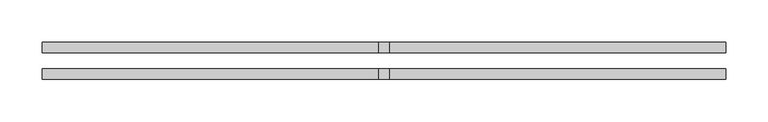
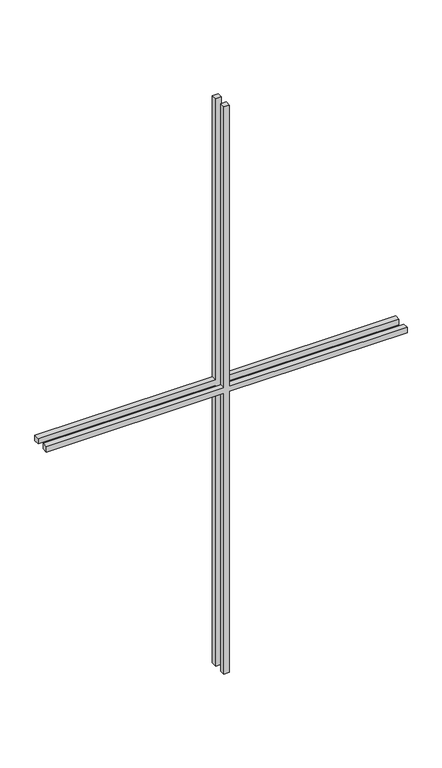
"""IFC4 building model written with IfcOpenShell, lengths in millimetres: proxy geometry."""

from ifc_helpers import new_model, si_unit, frame, origin, place, context, project, spatial, polyline, outline, extrude, source, transform, mapped, element, save


def generic_models_3ff90e20(model_context):
    return source(origin(), model_context, "Body", "SweptSolid", [
        extrude(outline(polyline([(683.325, -6.35), (683.325, -407.1375), (670.625, -407.1375), (670.625, -6.35), (0.0, -6.35), (0.0, 6.35), (670.625, 6.35), (670.625, 407.1375), (683.325, 407.1375), (683.325, 6.35), (1353.95, 6.35), (1353.95, -6.35), (683.325, -6.35)])), frame((0.0, 9.525, 0.0), z_axis=(0.0, 1.0, 0.0), x_axis=(0.0, 0.0, 1.0)), (0.0, 0.0, 1.0), 12.7),
        extrude(outline(polyline([(683.325, -6.35), (683.325, -407.1375), (670.625, -407.1375), (670.625, -6.35), (0.0, -6.35), (0.0, 6.35), (670.625, 6.35), (670.625, 407.1375), (683.325, 407.1375), (683.325, 6.35), (1353.95, 6.35), (1353.95, -6.35), (683.325, -6.35)])), frame((0.0, -22.225, 0.0), z_axis=(0.0, 1.0, 0.0), x_axis=(0.0, 0.0, 1.0)), (0.0, 0.0, 1.0), 12.7),
    ])


if __name__ == "__main__":
    model = new_model("IFC4")
    model_context = context("Model", 3, world=origin())
    ifc_project = project(units=[si_unit("LENGTHUNIT", "METRE", prefix="MILLI")], contexts=[model_context])
    site = spatial("IfcSite", under=ifc_project)
    building = spatial("IfcBuilding", under=site)
    placement = place(None, origin())
    generic_models_shape = generic_models_3ff90e20(model_context)
    element("IfcBuildingElementProxy", 1, Name="Generic Models", at=placement, inside=building, context=model_context, shape_type="MappedRepresentation", body=[
        mapped(generic_models_shape, transform((0.0, 0.0, 0.0), x_axis=(1.0, 0.0, 0.0), y_axis=(0.0, 1.0, 0.0), z_axis=(0.0, 0.0, 1.0))),
    ])
    save(model, "model.ifc")
